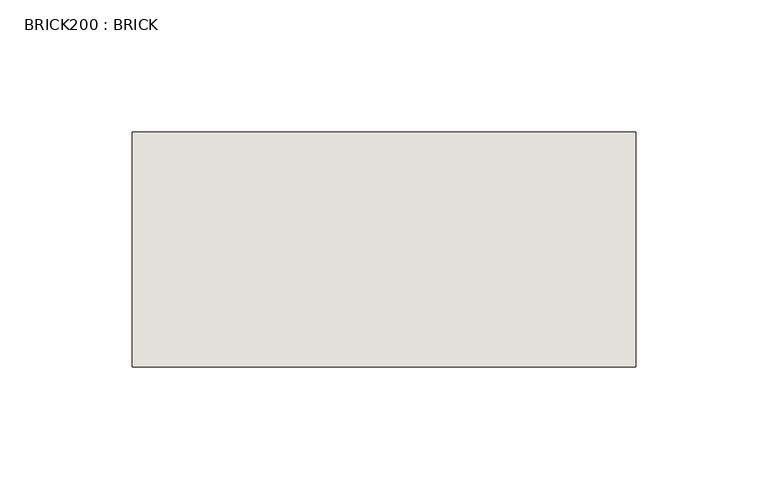
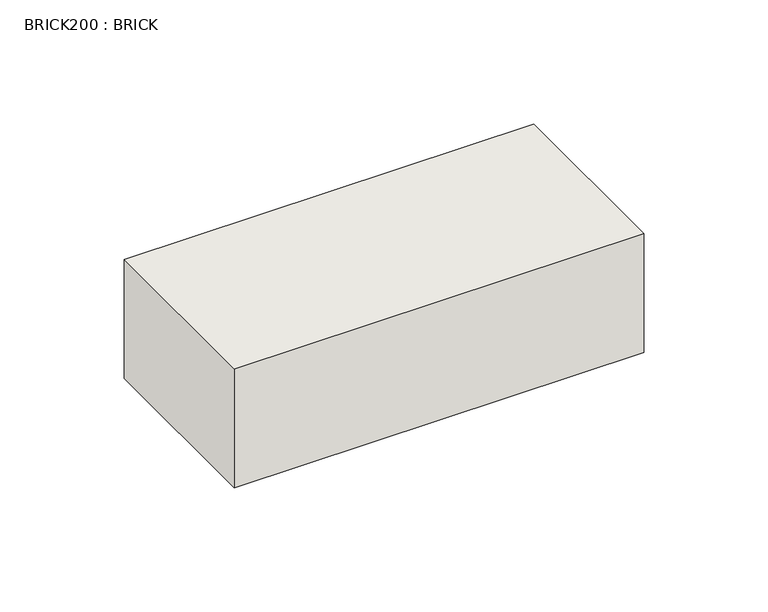
"""IFC4 building model written with IfcOpenShell, lengths in millimetres: wall geometry, BRICK200 : BRICK."""

from ifc_helpers import new_model, si_unit, frame, origin, place, context, project, spatial, polyline, outline, extrude, source, transform, mapped, element, save


def brick200_brick_f85eabc3(model_context):
    return source(origin(), model_context, "Body", "SweptSolid", [
        extrude(outline(polyline([(-668.2574357, 3062.3923312), (-477.7574357, 3062.3923312), (-477.7574357, 2973.4923312), (-668.2574357, 2973.4923312), (-668.2574357, 3062.3923312)])), frame((0.0, 0.0, 423.2671875), z_axis=(0.0, 0.0, 1.0), x_axis=(1.0, 0.0, 0.0)), (0.0, 0.0, 1.0), 58.4398437),
    ])


if __name__ == "__main__":
    model = new_model("IFC4")
    model_context = context("Model", 3, world=origin())
    ifc_project = project(units=[si_unit("LENGTHUNIT", "METRE", prefix="MILLI")], contexts=[model_context])
    site = spatial("IfcSite", under=ifc_project)
    building = spatial("IfcBuilding", under=site)
    placement = place(None, origin())
    brick200_brick_shape = brick200_brick_f85eabc3(model_context)
    element("IfcWall", 1, ObjectType="BRICK200 : BRICK", at=placement, inside=building, context=model_context, shape_type="MappedRepresentation", body=[
        mapped(brick200_brick_shape, transform((0.0, 0.0, 0.0), x_axis=(1.0, 0.0, 0.0), y_axis=(0.0, 1.0, 0.0), z_axis=(0.0, 0.0, 1.0))),
    ])
    save(model, "model.ifc")
